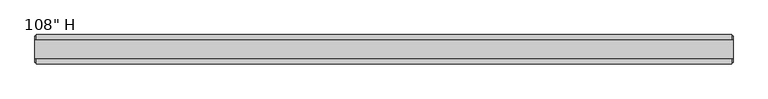
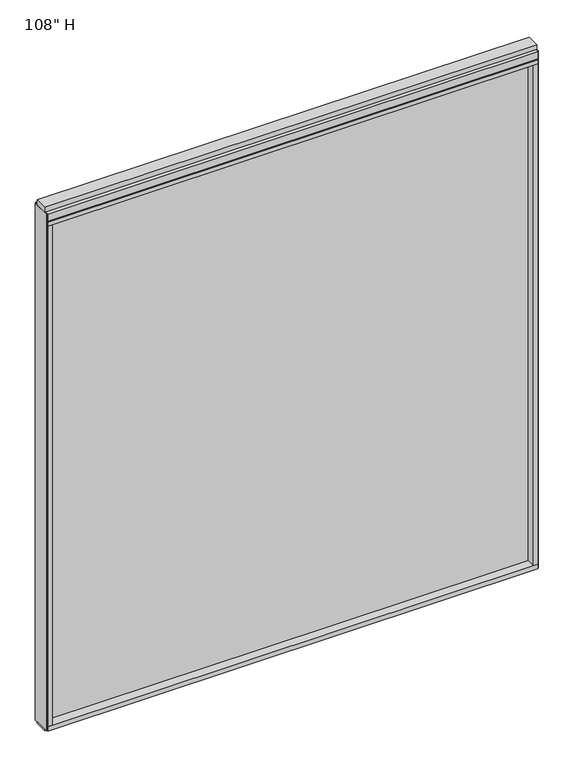
"""IFC4 building model written with IfcOpenShell, lengths in millimetres: furniture geometry."""

from ifc_helpers import new_model, si_unit, frame, origin, origin_with_axes, place, context, project, spatial, polyline, outline, extrude, source, transform, mapped, element, save


def furniture_6302eb30(model_context):
    return source(origin(), model_context, "Body", "SweptSolid", [
        extrude(outline(polyline([(1086.1384771, -9.5977216), (-1299.9375229, -9.5977216), (-1299.9375229, 0.5622784), (1086.1384771, 0.5622784), (1086.1384771, -9.5977216)])), frame((0.0, 0.0, 31.75), z_axis=(0.0, 0.0, 1.0), x_axis=(1.0, 0.0, 0.0)), (0.0, 0.0, 1.0), 2622.55),
        extrude(outline(polyline([(-1322.1625229, -55.3177216), (-1322.1625229, 46.2822784), (1108.3634771, 46.2822784), (1108.3634771, -55.3177216), (-1322.1625229, -55.3177216)])), frame((0.0, 0.0, 9.525), z_axis=(0.0, 0.0, 1.0), x_axis=(1.0, 0.0, 0.0)), (0.0, 0.0, 1.0), 22.225),
        extrude(outline(polyline([(1112.3004771, 28.1847784), (1112.3004771, -37.2202216), (-1326.0995229, -37.2202216), (-1326.0995229, 28.1847784), (1112.3004771, 28.1847784)])), origin_with_axes(), (0.0, 0.0, 1.0), 9.525),
        extrude(outline(polyline([(-1326.0995229, -37.0297216), (-1326.0995229, 27.9942784), (1112.3004771, 27.9942784), (1112.3004771, -37.0297216), (-1326.0995229, -37.0297216)])), frame((0.0, 0.0, 2717.8), z_axis=(0.0, 0.0, 1.0), x_axis=(1.0, 0.0, 0.0)), (0.0, 0.0, 1.0), 25.4),
        extrude(outline(polyline([(-55.3177216, 2681.478), (-55.3177216, 2717.8), (46.2822784, 2717.8), (46.2822784, 2681.478), (41.3292784, 2681.478), (41.3292784, 2676.525), (-50.3647216, 2676.525), (-50.3647216, 2681.478), (-55.3177216, 2681.478)])), frame((-1322.1625229, 0.0, 0.0), z_axis=(1.0, 0.0, 0.0), x_axis=(0.0, 1.0, 0.0)), (0.0, 0.0, 1.0), 2430.526),
        extrude(outline(polyline([(1108.3634771, 46.2822784), (1108.3634771, -55.3177216), (-1322.1625229, -55.3177216), (-1322.1625229, 46.2822784), (1108.3634771, 46.2822784)])), frame((0.0, 0.0, 2654.3), z_axis=(0.0, 0.0, 1.0), x_axis=(1.0, 0.0, 0.0)), (0.0, 0.0, 1.0), 22.225),
        extrude(outline(polyline([(1086.1384771, -55.3177216), (1086.1384771, 46.2822784), (1108.3634771, 46.2822784), (1108.3634771, -55.3177216), (1086.1384771, -55.3177216)])), frame((0.0, 0.0, 31.75), z_axis=(0.0, 0.0, 1.0), x_axis=(1.0, 0.0, 0.0)), (0.0, 0.0, 1.0), 2622.55),
        extrude(outline(polyline([(-1299.9375229, -55.3177216), (-1322.1625229, -55.3177216), (-1322.1625229, 46.2822784), (-1299.9375229, 46.2822784), (-1299.9375229, -55.3177216)])), frame((0.0, 0.0, 31.75), z_axis=(0.0, 0.0, 1.0), x_axis=(1.0, 0.0, 0.0)), (0.0, 0.0, 1.0), 2622.55),
        extrude(outline(polyline([(1112.3004771, -50.3647216), (1108.3634771, -50.3647216), (1108.3634771, 41.3292784), (1112.3004771, 41.3292784), (1112.3004771, -50.3647216)])), frame((0.0, 0.0, 9.525), z_axis=(0.0, 0.0, 1.0), x_axis=(1.0, 0.0, 0.0)), (0.0, 0.0, 1.0), 2708.275),
        extrude(outline(polyline([(-1326.0995229, -50.3647216), (-1326.0995229, 41.3292784), (-1322.1625229, 41.3292784), (-1322.1625229, -50.3647216), (-1326.0995229, -50.3647216)])), frame((0.0, 0.0, 9.525), z_axis=(0.0, 0.0, 1.0), x_axis=(1.0, 0.0, 0.0)), (0.0, 0.0, 1.0), 2708.275),
    ])


if __name__ == "__main__":
    model = new_model("IFC4")
    model_context = context("Model", 3, world=origin())
    ifc_project = project(units=[si_unit("LENGTHUNIT", "METRE", prefix="MILLI")], contexts=[model_context])
    site = spatial("IfcSite", under=ifc_project)
    building = spatial("IfcBuilding", under=site)
    placement = place(None, origin())
    furniture_shape = furniture_6302eb30(model_context)
    element("IfcFurniture", 1, ObjectType="108\" H", at=placement, inside=building, context=model_context, shape_type="MappedRepresentation", body=[
        mapped(furniture_shape, transform((0.0, 0.0, 0.0), x_axis=(1.0, 0.0, 0.0), y_axis=(0.0, 1.0, 0.0), z_axis=(0.0, 0.0, 1.0))),
    ])
    save(model, "model.ifc")
